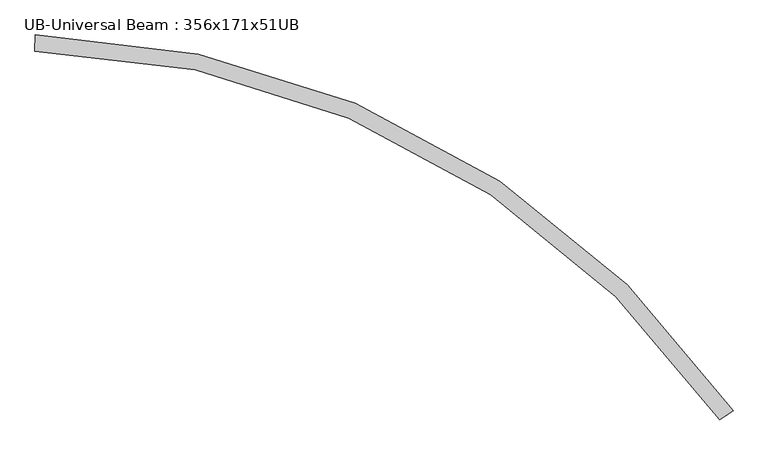
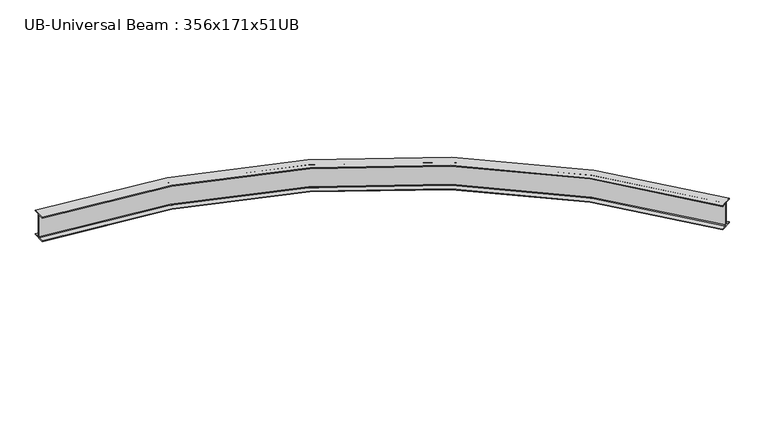
"""IFC4 building model written with IfcOpenShell, lengths in millimetres: beam geometry, UB-Universal Beam : 356x171x51UB."""

from ifc_helpers import new_model, si_unit, point, frame, origin, place, context, project, spatial, polyline, circle_curve, ellipse_curve, trimmed, source, transform, mapped, element, save
from ifc_brep_helpers import plane_surface, cylinder_surface, revolved_surface, advanced_brep


def ub_universal_beam_356x171x51ub_0d43a0b3(model_context):
    return source(origin(), model_context, "Body", "AdvancedBrep", [
        advanced_brep(
        [(7553.4025646, -3872.7528507, -166.0), (7494.3206198, -3913.639845, -166.0), (7485.9332038, -3919.4442617, -155.8), (7485.9332038, -3919.4442617, 155.8), (7494.3206198, -3913.639845, 166.0), (7553.4025646, -3872.7528507, 166.0), (7553.4025646, -3872.7528507, 177.5), (7412.378855, -3970.3467201, 177.5), (7412.378855, -3970.3467201, 166.0), (7471.4607998, -3929.4597258, 166.0), (7479.8482158, -3923.6553091, 155.8), (7479.8482158, -3923.6553091, -155.8), (7471.4607998, -3929.4597258, -166.0), (7412.378855, -3970.3467201, -166.0), (7412.378855, -3970.3467201, -177.5), (7553.4025646, -3872.7528507, -177.5), (205.1545566, 83.4587531, -166.0), (205.1545566, 83.4587531, -177.5), (201.3242753, -87.9984688, -177.5), (201.3242753, -87.9984688, -166.0), (202.9289733, -16.1663907, -166.0), (203.1567801, -5.9689349, -155.8), (203.1567801, -5.9689349, 155.8), (202.9289733, -16.1663907, 166.0), (201.3242753, -87.9984688, 166.0), (201.3242753, -87.9984688, 177.5), (205.1545566, 83.4587531, 177.5), (205.1545566, 83.4587531, 166.0), (203.5498585, 11.626675, 166.0), (203.3220517, 1.4292193, 155.8), (203.3220517, 1.4292193, -155.8), (203.5498585, 11.626675, -166.0)],
        [
            (0, 1),
            (1, 2, circle_curve(frame((7494.3206198, -3913.639845, -155.8), z_axis=(-0.5690604631430249, 0.8222956823962083, 0.0), x_axis=(-0.8222956823962083, -0.5690604631430249, 0.0)), 10.2)),
            (2, 3),
            (3, 4, circle_curve(frame((7494.3206198, -3913.639845, 155.8), z_axis=(-0.5690604631430249, 0.8222956823962083, 0.0), x_axis=(-0.8222956823962083, -0.5690604631430249, 0.0)), 10.2)),
            (4, 5),
            (5, 6),
            (6, 7),
            (7, 8),
            (8, 9),
            (9, 10, circle_curve(frame((7471.4607998, -3929.4597258, 155.8), z_axis=(-0.5690604631430249, 0.8222956823962083, 0.0), x_axis=(-0.8222956823962083, -0.5690604631430249, 0.0)), 10.2)),
            (10, 11),
            (11, 12, circle_curve(frame((7471.4607998, -3929.4597258, -155.8), z_axis=(-0.5690604631430249, 0.8222956823962083, 0.0), x_axis=(-0.8222956823962083, -0.5690604631430249, 0.0)), 10.2)),
            (12, 13),
            (13, 14),
            (14, 15),
            (15, 0),
            (16, 17),
            (17, 18),
            (18, 19),
            (19, 20),
            (20, 21, circle_curve(frame((202.9289733, -16.1663907, -155.8), z_axis=(0.9997505650740438, -0.022334001749128918, 0.0), x_axis=(-0.022334001749128918, -0.9997505650740438, 0.0)), 10.2)),
            (21, 22),
            (22, 23, circle_curve(frame((202.9289733, -16.1663907, 155.8), z_axis=(0.9997505650740438, -0.022334001749128918, 0.0), x_axis=(-0.022334001749128918, -0.9997505650740438, 0.0)), 10.2)),
            (23, 24),
            (24, 25),
            (25, 26),
            (26, 27),
            (27, 28),
            (28, 29, circle_curve(frame((203.5498585, 11.626675, 155.8), z_axis=(0.9997505650740438, -0.022334001749128918, 0.0), x_axis=(-0.022334001749128918, -0.9997505650740438, 0.0)), 10.2)),
            (29, 30),
            (30, 31, circle_curve(frame((203.5498585, 11.626675, -155.8), z_axis=(0.9997505650740438, -0.022334001749128918, 0.0), x_axis=(-0.022334001749128918, -0.9997505650740438, 0.0)), 10.2)),
            (31, 16),
            (0, 16, circle_curve(frame((0.0, -9100.0, -166.0), z_axis=(0.0, 0.0, 1.0), x_axis=(0.8282116843056725, 0.5604153869939342, 0.0)), 9185.75)),
            (31, 1, circle_curve(frame((0.0, -9100.0, -166.0), z_axis=(0.0, 0.0, -1.0), x_axis=(0.8282116843056725, 0.5604153869939342, 0.0)), 9113.9)),
            (30, 2, circle_curve(frame((0.0, -9100.0, -155.8), z_axis=(0.0, 0.0, -1.0), x_axis=(0.8282116843056725, 0.5604153869939342, 0.0)), 9103.7)),
            (29, 3, circle_curve(frame((0.0, -9100.0, 155.8), z_axis=(0.0, 0.0, -1.0), x_axis=(0.8282116843056725, 0.5604153869939342, 0.0)), 9103.7)),
            (28, 4, circle_curve(frame((0.0, -9100.0, 166.0), z_axis=(0.0, 0.0, -1.0), x_axis=(0.8282116843056725, 0.5604153869939342, 0.0)), 9113.9)),
            (27, 5, circle_curve(frame((0.0, -9100.0, 166.0), z_axis=(0.0, 0.0, -1.0), x_axis=(0.8282116843056725, 0.5604153869939342, 0.0)), 9185.75)),
            (26, 6, circle_curve(frame((0.0, -9100.0, 177.5), z_axis=(0.0, 0.0, -1.0), x_axis=(0.8282116843056725, 0.5604153869939342, 0.0)), 9185.75)),
            (25, 7, circle_curve(frame((0.0, -9100.0, 177.5), z_axis=(0.0, 0.0, -1.0), x_axis=(0.8282116843056725, 0.5604153869939342, 0.0)), 9014.25)),
            (24, 8, circle_curve(frame((0.0, -9100.0, 166.0), z_axis=(0.0, 0.0, -1.0), x_axis=(0.8282116843056725, 0.5604153869939342, 0.0)), 9014.25)),
            (23, 9, circle_curve(frame((0.0, -9100.0, 166.0), z_axis=(0.0, 0.0, -1.0), x_axis=(0.8282116843056725, 0.5604153869939342, 0.0)), 9086.1)),
            (22, 10, circle_curve(frame((0.0, -9100.0, 155.8), z_axis=(0.0, 0.0, -1.0), x_axis=(0.8282116843056725, 0.5604153869939342, 0.0)), 9096.3)),
            (21, 11, circle_curve(frame((0.0, -9100.0, -155.8), z_axis=(0.0, 0.0, -1.0), x_axis=(0.8282116843056725, 0.5604153869939342, 0.0)), 9096.3)),
            (20, 12, circle_curve(frame((0.0, -9100.0, -166.0), z_axis=(0.0, 0.0, -1.0), x_axis=(0.8282116843056725, 0.5604153869939342, 0.0)), 9086.1)),
            (19, 13, circle_curve(frame((0.0, -9100.0, -166.0), z_axis=(0.0, 0.0, -1.0), x_axis=(0.8282116843056725, 0.5604153869939342, 0.0)), 9014.25)),
            (18, 14, circle_curve(frame((0.0, -9100.0, -177.5), z_axis=(0.0, 0.0, -1.0), x_axis=(0.8282116843056725, 0.5604153869939342, 0.0)), 9014.25)),
            (17, 15, circle_curve(frame((0.0, -9100.0, -177.5), z_axis=(0.0, 0.0, -1.0), x_axis=(0.8282116843056725, 0.5604153869939342, 0.0)), 9185.75)),
        ],
        [
            plane_surface(frame((7482.8907098, -3921.5497854, 0.0), z_axis=(0.5690604631430193, -0.8222956823962122, 0.0), x_axis=(0.0, 0.0, 1.0))),
            plane_surface(frame((203.2394159, -2.2698578, 0.0), z_axis=(-0.9997505650740437, 0.022334001749135694, 0.0), x_axis=(0.0, 0.0, 1.0))),
            plane_surface(frame((0.0, -9100.0, -166.0), z_axis=(0.0, 0.0, 1.0), x_axis=(0.8282116843056725, 0.5604153869939342, 0.0))),
            revolved_surface(trimmed(ellipse_curve(frame((7548.2384696, -3992.4302045, -155.8), z_axis=(0.560415386993934, -0.8282116843056726, 0.0), x_axis=(-0.8282116843056726, -0.560415386993934, 0.0)), 10.2, 10.2), [point((7539.7907104, -3998.1464414, -155.8))], [point((7548.2384696, -3992.4302045, -166.0))], True, "CARTESIAN"), (0.0, -9100.0, 0.0), (0.0, 0.0, -1.0)),
            cylinder_surface(frame((0.0, -9100.0, 0.0), z_axis=(0.0, 0.0, -1.0), x_axis=(0.8282116843056725, 0.5604153869939342, 0.0)), 9103.7),
            revolved_surface(trimmed(ellipse_curve(frame((7548.2384696, -3992.4302045, 155.8), z_axis=(0.560415386993934, -0.8282116843056726, 0.0), x_axis=(-0.8282116843056726, -0.560415386993934, 0.0)), 10.2, 10.2), [point((7548.2384696, -3992.4302045, 166.0))], [point((7539.7907104, -3998.1464414, 155.8))], True, "CARTESIAN"), (0.0, -9100.0, 0.0), (0.0, 0.0, -1.0)),
            plane_surface(frame((0.0, -9100.0, 166.0), z_axis=(0.0, 0.0, -1.0), x_axis=(0.8282116843056725, 0.5604153869939342, 0.0))),
            cylinder_surface(frame((0.0, -9100.0, 0.0), z_axis=(0.0, 0.0, -1.0), x_axis=(0.8282116843056725, 0.5604153869939342, 0.0)), 9185.75),
            plane_surface(frame((0.0, -9100.0, 177.5), z_axis=(0.0, 0.0, 1.0), x_axis=(0.8282116843056725, 0.5604153869939342, 0.0))),
            revolved_surface(polyline([(7465.707175252408, -4048.2755977899287, 166.0), (7465.707175252408, -4048.2755977899287, 177.5)]), (0.0, -9100.0, 0.0), (0.0, 0.0, -1.0)),
            revolved_surface(trimmed(ellipse_curve(frame((7525.2141848, -4008.0097522, 155.8), z_axis=(0.560415386993934, -0.8282116843056726, 0.0), x_axis=(-0.8282116843056726, -0.560415386993934, 0.0)), 10.2, 10.2), [point((7533.6619439, -4002.2935153, 155.8))], [point((7525.2141848, -4008.0097522, 166.0))], True, "CARTESIAN"), (0.0, -9100.0, 0.0), (0.0, 0.0, -1.0)),
            revolved_surface(polyline([(7533.661943949688, -4002.293515287077, -155.8), (7533.661943949688, -4002.293515287077, 155.8)]), (0.0, -9100.0, 0.0), (0.0, 0.0, -1.0)),
            revolved_surface(trimmed(ellipse_curve(frame((7525.2141848, -4008.0097522, -155.8), z_axis=(0.560415386993934, -0.8282116843056726, 0.0), x_axis=(-0.8282116843056726, -0.560415386993934, 0.0)), 10.2, 10.2), [point((7525.2141848, -4008.0097522, -166.0))], [point((7533.6619439, -4002.2935153, -155.8))], True, "CARTESIAN"), (0.0, -9100.0, 0.0), (0.0, 0.0, -1.0)),
            revolved_surface(polyline([(7465.707175252408, -4048.2755977899287, -177.5), (7465.707175252408, -4048.2755977899287, -166.0)]), (0.0, -9100.0, 0.0), (0.0, 0.0, -1.0)),
            plane_surface(frame((0.0, -9100.0, -177.5), z_axis=(0.0, 0.0, -1.0), x_axis=(0.8282116843056725, 0.5604153869939342, 0.0))),
        ],
        [
            (0, [[1, 2, 3, 4, 5, 6, 7, 8, 9, 10, 11, 12, 13, 14, 15, 16]]),
            (1, [[17, 18, 19, 20, 21, 22, 23, 24, 25, 26, 27, 28, 29, 30, 31, 32]]),
            (2, [[-1, 33, -32, 34]]),
            (3, [[-2, -34, -31, 35]]),
            (4, [[-3, -35, -30, 36]]),
            (5, [[-4, -36, -29, 37]]),
            (6, [[-5, -37, -28, 38]]),
            (7, [[-6, -38, -27, 39]]),
            (8, [[-7, -39, -26, 40]]),
            (9, [[-8, -40, -25, 41]]),
            (6, [[-9, -41, -24, 42]]),
            (10, [[-10, -42, -23, 43]]),
            (11, [[-11, -43, -22, 44]]),
            (12, [[-12, -44, -21, 45]]),
            (2, [[-13, -45, -20, 46]]),
            (13, [[-14, -46, -19, 47]]),
            (14, [[-15, -47, -18, 48]]),
            (7, [[-16, -48, -17, -33]]),
        ],
    ),
    ])


if __name__ == "__main__":
    model = new_model("IFC4")
    model_context = context("Model", 3, world=origin())
    ifc_project = project(units=[si_unit("LENGTHUNIT", "METRE", prefix="MILLI")], contexts=[model_context])
    site = spatial("IfcSite", under=ifc_project)
    building = spatial("IfcBuilding", under=site)
    placement = place(None, origin())
    ub_universal_beam_356x171x51ub_shape = ub_universal_beam_356x171x51ub_0d43a0b3(model_context)
    element("IfcBeam", 1, ObjectType="UB-Universal Beam : 356x171x51UB", at=placement, inside=building, context=model_context, shape_type="MappedRepresentation", body=[
        mapped(ub_universal_beam_356x171x51ub_shape, transform((0.0, 0.0, 0.0), x_axis=(1.0, 0.0, 0.0), y_axis=(0.0, 1.0, 0.0), z_axis=(0.0, 0.0, 1.0))),
    ])
    save(model, "model.ifc")
